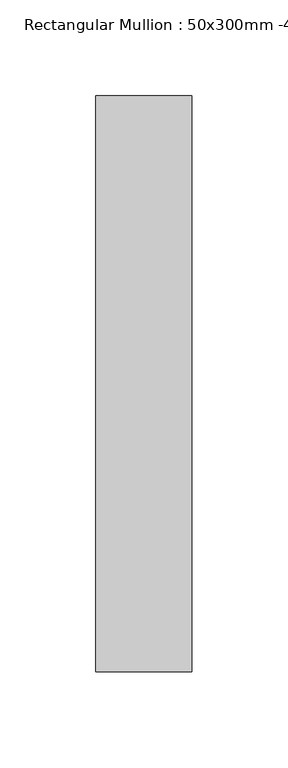
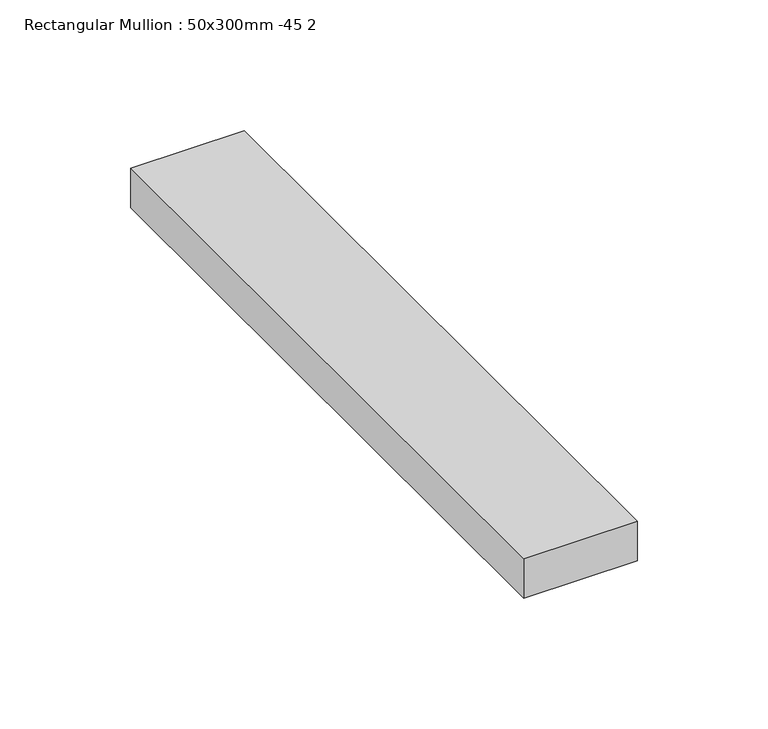
"""IFC4 building model written with IfcOpenShell, lengths in millimetres: member geometry, Rectangular Mullion : 50x300mm -45 2."""

from ifc_helpers import new_model, si_unit, frame, origin, place, context, project, spatial, polyline, outline, extrude, source, transform, mapped, element, save


def rectangular_mullion_50x300mm_45_2_f2d29293(model_context):
    return source(origin(), model_context, "Body", "SweptSolid", [
        extrude(outline(polyline([(0.0, 195.0), (0.0, -105.0), (-50.0, -105.0), (-50.0, 195.0), (0.0, 195.0)])), frame((0.0, 0.0, -18.3693382), z_axis=(0.0, 0.0, 1.0), x_axis=(1.0, 0.0, 0.0)), (0.0, 0.0, 1.0), 18.3693382),
    ])


if __name__ == "__main__":
    model = new_model("IFC4")
    model_context = context("Model", 3, world=origin())
    ifc_project = project(units=[si_unit("LENGTHUNIT", "METRE", prefix="MILLI")], contexts=[model_context])
    site = spatial("IfcSite", under=ifc_project)
    building = spatial("IfcBuilding", under=site)
    placement = place(None, origin())
    rectangular_mullion_50x300mm_45_2_shape = rectangular_mullion_50x300mm_45_2_f2d29293(model_context)
    element("IfcMember", 1, ObjectType="Rectangular Mullion : 50x300mm -45 2", at=placement, inside=building, context=model_context, shape_type="MappedRepresentation", body=[
        mapped(rectangular_mullion_50x300mm_45_2_shape, transform((0.0, 0.0, 0.0), x_axis=(1.0, 0.0, 0.0), y_axis=(0.0, 1.0, 0.0), z_axis=(0.0, 0.0, 1.0))),
    ])
    save(model, "model.ifc")
